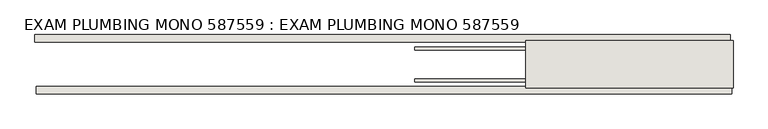
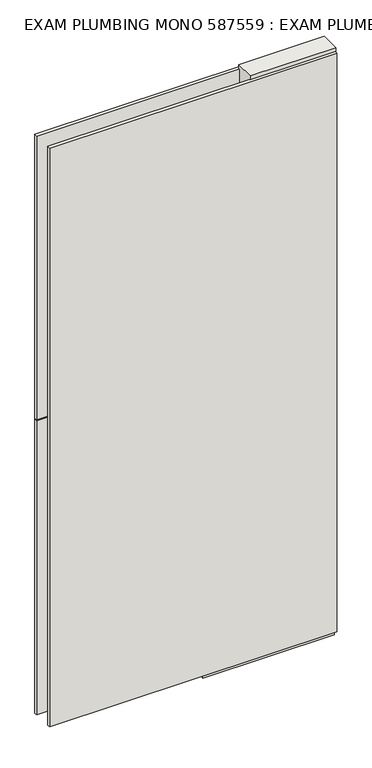
"""IFC4 building model written with IfcOpenShell, lengths in millimetres: wall geometry, EXAM PLUMBING MONO 587559 : EXAM PLUMBING MONO 587559."""

from ifc_helpers import new_model, si_unit, frame, origin, place, context, project, spatial, polyline, outline, extrude, source, transform, mapped, element, save


def exam_plumbing_mono_587559_exam_plumbing_mono_587559_c523a9f6(model_context):
    return source(origin(), model_context, "Body", "SweptSolid", [
        extrude(outline(polyline([(47722.7751156, -43072.1814704), (47725.3151156, -43072.1814704), (47725.3151156, -43074.7214704), (47722.7751156, -43074.7214704), (47722.7751156, -43072.1814704)])), frame((0.0, 0.0, 4419.6), z_axis=(0.0, 0.0, 1.0), x_axis=(1.0, 0.0, 0.0)), (0.0, 0.0, 1.0), 2.54),
        extrude(outline(polyline([(47723.3185105, -43124.2514704), (46529.8183067, -43124.2514704), (46529.8183067, -43111.5514704), (47723.3185105, -43111.5514704), (47723.3185105, -43124.2514704)])), frame((0.0, 0.0, 4445.0), z_axis=(0.0, 0.0, 1.0), x_axis=(1.0, 0.0, 0.0)), (0.0, 0.0, 1.0), 2545.0498756),
        extrude(outline(polyline([(46527.3502395, -43022.6514704), (47720.8504433, -43022.6514704), (47720.8504433, -43035.3514704), (46527.3502395, -43035.3514704), (46527.3502395, -43022.6514704)])), frame((0.0, 0.0, 4445.0), z_axis=(0.0, 0.0, 1.0), x_axis=(1.0, 0.0, 0.0)), (0.0, 0.0, 1.0), 1293.400004),
        extrude(outline(polyline([(46527.3502395, -43022.6514704), (47720.8504433, -43022.6514704), (47720.8504433, -43035.3514704), (46527.3502395, -43035.3514704), (46527.3502395, -43022.6514704)])), frame((0.0, 0.0, 5742.399869), z_axis=(0.0, 0.0, 1.0), x_axis=(1.0, 0.0, 0.0)), (0.0, 0.0, 1.0), 1247.649905),
        extrude(outline(polyline([(47179.203965, -43098.5414126), (47725.303965, -43098.5414126), (47725.303965, -43103.6232668), (47179.203965, -43103.6232668), (47179.203965, -43098.5414126)])), frame((0.0, 0.0, 4418.6602), z_axis=(0.0, 0.0, 1.0), x_axis=(1.0, 0.0, 0.0)), (0.0, 0.0, 1.0), 47.625),
        extrude(outline(polyline([(47179.203965, -43098.5414126), (47725.303965, -43098.5414126), (47725.303965, -43103.6232668), (47179.203965, -43103.6232668), (47179.203965, -43098.5414126)])), frame((0.0, 0.0, 4418.6602), z_axis=(0.0, 0.0, 1.0), x_axis=(1.0, 0.0, 0.0)), (0.0, 0.0, 1.0), 47.625),
        extrude(outline(polyline([(47725.303965, -43048.3770222), (47179.203965, -43048.3770222), (47179.203965, -43043.2982668), (47725.303965, -43043.2982668), (47725.303965, -43048.3770222)])), frame((0.0, 0.0, 4418.6602), z_axis=(0.0, 0.0, 1.0), x_axis=(1.0, 0.0, 0.0)), (0.0, 0.0, 1.0), 47.625),
        extrude(outline(polyline([(47725.303965, -43048.3770222), (47179.203965, -43048.3770222), (47179.203965, -43043.2982668), (47725.303965, -43043.2982668), (47725.303965, -43048.3770222)])), frame((0.0, 0.0, 4418.6602), z_axis=(0.0, 0.0, 1.0), x_axis=(1.0, 0.0, 0.0)), (0.0, 0.0, 1.0), 47.625),
        extrude(outline(polyline([(47369.703965, -43114.0877366), (47369.703965, -43032.8058824), (47725.303965, -43032.8058824), (47725.303965, -43114.0877366), (47369.703965, -43114.0877366)])), frame((0.0, 0.0, 4445.0), z_axis=(0.0, 0.0, 1.0), x_axis=(1.0, 0.0, 0.0)), (0.0, 0.0, 1.0), 2562.4536762),
    ])


if __name__ == "__main__":
    model = new_model("IFC4")
    model_context = context("Model", 3, world=origin())
    ifc_project = project(units=[si_unit("LENGTHUNIT", "METRE", prefix="MILLI")], contexts=[model_context])
    site = spatial("IfcSite", under=ifc_project)
    building = spatial("IfcBuilding", under=site)
    placement = place(None, origin())
    exam_plumbing_mono_587559_exam_plumbing_mono_587559_shape = exam_plumbing_mono_587559_exam_plumbing_mono_587559_c523a9f6(model_context)
    element("IfcWall", 1, ObjectType="EXAM PLUMBING MONO 587559 : EXAM PLUMBING MONO 587559", at=placement, inside=building, context=model_context, shape_type="MappedRepresentation", body=[
        mapped(exam_plumbing_mono_587559_exam_plumbing_mono_587559_shape, transform((0.0, 0.0, 0.0), x_axis=(1.0, 0.0, 0.0), y_axis=(0.0, 1.0, 0.0), z_axis=(0.0, 0.0, 1.0))),
    ])
    save(model, "model.ifc")
